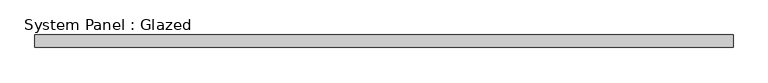
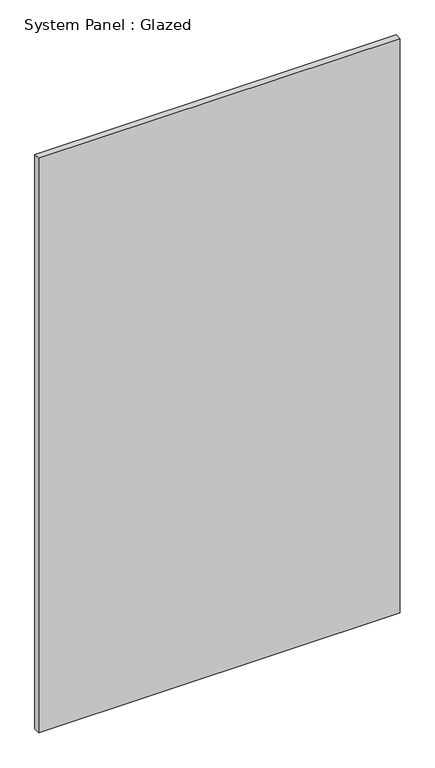
"""IFC4 building model written with IfcOpenShell, lengths in millimetres: plate geometry, System Panel : Glazed."""

import ifcopenshell
import ifcopenshell.guid

model = None  # the IFC model being written
_history = None  # IfcOwnerHistory: only IFC2X3 demands one
_inside = {}  # id of a spatial element -> (the spatial element, [elements in it])
_under = {}  # id of a project, library or spatial element -> (it, [spatial elements below it])
_declared = {}  # id of a project -> (the project, [libraries it declares])
_typed = {}  # id of a type object -> (the type object, [elements of that type])
_made_of = {}  # id of a material, layer set ... -> (it, [elements and type objects made of it])


def new_model(schema):
    """Start an empty IFC model of exactly this schema.

    Asked for "IFC4X3", IfcOpenShell would pick the latest addendum, in which some entities
    have other attributes; the version numbers below select the first issue.
    IFC2X3 requires an IfcOwnerHistory on every rooted entity: one is made here for all.
    """
    global model, _history
    if schema == "IFC4X3":
        model = ifcopenshell.file(schema_version=(4, 3, 0, 0))
    else:
        model = ifcopenshell.file(schema=schema)
    _inside.clear()
    _under.clear()
    _declared.clear()
    _typed.clear()
    _made_of.clear()
    _history = None
    if model.schema == "IFC2X3":
        org = make("IfcOrganization", Name="unknown")
        user = make(
            "IfcPersonAndOrganization",
            ThePerson=make("IfcPerson", FamilyName="unknown"),
            TheOrganization=org,
        )
        app = make(
            "IfcApplication",
            ApplicationDeveloper=org,
            Version="unknown",
            ApplicationFullName="unknown",
            ApplicationIdentifier="unknown",
        )
        _history = make(
            "IfcOwnerHistory",
            OwningUser=user,
            OwningApplication=app,
            ChangeAction="ADDED",
            CreationDate=0,
        )
    return model


def make(cls, **values):
    """One entity of the class cls with the attributes given. An attribute that is None is left unset."""
    return model.create_entity(
        cls, **{name: value for name, value in values.items() if value is not None}
    )


def rooted(cls, **values):
    """An entity with a GlobalId (a new one), such as an element, a storey or a relation."""
    return make(cls, GlobalId=ifcopenshell.guid.new(), OwnerHistory=_history, **values)


def si_unit(unit_type, name, prefix=None):
    """IfcSIUnit, for example si_unit("LENGTHUNIT", "METRE", prefix="MILLI")."""
    return make("IfcSIUnit", UnitType=unit_type, Prefix=prefix, Name=name)


def assignment(units):
    """IfcUnitAssignment: the units of a project."""
    return None if units is None else make("IfcUnitAssignment", Units=units)


def point(xyz):
    """IfcCartesianPoint."""
    return None if xyz is None else make("IfcCartesianPoint", Coordinates=xyz)


def direction(xyz):
    """IfcDirection."""
    return None if xyz is None else make("IfcDirection", DirectionRatios=xyz)


def frame(location, z_axis=None, x_axis=None):
    """IfcAxis2Placement3D, a coordinate frame: its origin and axes. An axis left out is left unset."""
    return make(
        "IfcAxis2Placement3D",
        Location=point(location),
        Axis=direction(z_axis),
        RefDirection=direction(x_axis),
    )


def origin():
    """The frame at (0, 0, 0) with its axes left unset."""
    return frame((0.0, 0.0, 0.0))


def origin_with_axes():
    """The frame at (0, 0, 0) with the z axis (0, 0, 1) and the x axis (1, 0, 0) written out."""
    return frame((0.0, 0.0, 0.0), z_axis=(0.0, 0.0, 1.0), x_axis=(1.0, 0.0, 0.0))


def place(relative_to, where):
    """IfcLocalPlacement: puts the frame where relative to a parent placement (None: the world)."""
    return make(
        "IfcLocalPlacement", PlacementRelTo=relative_to, RelativePlacement=where
    )


def context(
    kind, dimensions, precision=None, world=None, true_north=None, identifier=None
):
    """IfcGeometricRepresentationContext, for example the 3D "Model" context."""
    return make(
        "IfcGeometricRepresentationContext",
        ContextIdentifier=identifier,
        ContextType=kind,
        CoordinateSpaceDimension=dimensions,
        Precision=precision,
        WorldCoordinateSystem=world,
        TrueNorth=true_north,
    )


def project(units=None, contexts=None):
    """IfcProject with its units and contexts."""
    return rooted(
        "IfcProject",
        Name="project",
        RepresentationContexts=contexts,
        UnitsInContext=assignment(units),
    )


def spatial(cls, under=None, at=None, **own):
    """A site, building, storey or space (cls), placed at a placement, below another one or the project."""
    s = rooted(cls, ObjectPlacement=at, **own)
    if under is not None:
        _under.setdefault(under.id(), (under, []))[1].append(s)
    return s


def polyline(points):
    """IfcPolyline through the points."""
    return make("IfcPolyline", Points=[point(p) for p in points])


def outline(outer, holes=None, kind="AREA"):
    """IfcArbitraryClosedProfileDef: a profile drawn as a closed curve; with holes, ...WithVoids."""
    if holes is None:
        return make("IfcArbitraryClosedProfileDef", ProfileType=kind, OuterCurve=outer)
    return make(
        "IfcArbitraryProfileDefWithVoids",
        ProfileType=kind,
        OuterCurve=outer,
        InnerCurves=holes,
    )


def extrude(swept, where, along, depth):
    """IfcExtrudedAreaSolid: the profile swept, set in the frame where, extruded along a direction by depth."""
    return make(
        "IfcExtrudedAreaSolid",
        SweptArea=swept,
        Position=where,
        ExtrudedDirection=direction(along),
        Depth=depth,
    )


def shape(context_of_items, identifier, shape_type, items):
    """IfcShapeRepresentation: the items that make up one representation, for example the "Body"."""
    return make(
        "IfcShapeRepresentation",
        ContextOfItems=context_of_items,
        RepresentationIdentifier=identifier,
        RepresentationType=shape_type,
        Items=items,
    )


def source(mapping_origin, context_of_items, identifier, shape_type, items):
    """IfcRepresentationMap: a shape defined once, which mapped items show again and again."""
    return make(
        "IfcRepresentationMap",
        MappingOrigin=mapping_origin,
        MappedRepresentation=shape(context_of_items, identifier, shape_type, items),
    )


def transform(
    local_origin,
    x_axis=None,
    y_axis=None,
    z_axis=None,
    scale=None,
    scale2=None,
    scale3=None,
    uniform=True,
):
    """IfcCartesianTransformationOperator3D, or its non-uniform kind. x_axis, y_axis, z_axis: its Axis1, 2, 3."""
    if uniform:
        return make(
            "IfcCartesianTransformationOperator3D",
            Axis1=direction(x_axis),
            Axis2=direction(y_axis),
            LocalOrigin=point(local_origin),
            Scale=scale,
            Axis3=direction(z_axis),
        )
    return make(
        "IfcCartesianTransformationOperator3DnonUniform",
        Axis1=direction(x_axis),
        Axis2=direction(y_axis),
        LocalOrigin=point(local_origin),
        Scale=scale,
        Axis3=direction(z_axis),
        Scale2=scale2,
        Scale3=scale3,
    )


def mapped(mapping_source, mapping_target):
    """IfcMappedItem: shows the shape of a source again, moved by a transform."""
    return make(
        "IfcMappedItem", MappingSource=mapping_source, MappingTarget=mapping_target
    )


def made_of(thing, what):
    """Note that an element or type object is made of a material, layer set ...; save() writes the relation."""
    if what is not None:
        _made_of.setdefault(what.id(), (what, []))[1].append(thing)
    return thing


def element(
    cls,
    number,
    at=None,
    inside=None,
    cuts=None,
    type_object=None,
    material=None,
    context=None,
    identifier="Body",
    shape_type=None,
    held_by="IfcProductDefinitionShape",
    body=None,
    shapes=None,
    **own,
):
    """One element of the class cls, such as IfcWall. Its Tag is "e" and its number.

    at: its placement. inside: the storey or other place that contains it. cuts: it is an
    opening in that element (IfcRelVoidsElement). A single representation is given by context,
    identifier, shape_type and body (its items); several are given by shapes. held_by: the class
    of the entity that holds the representations. save() writes the other relations.
    """
    e = rooted(cls, Tag="e%d" % number, ObjectPlacement=at, **own)
    if body is not None:
        shapes = [shape(context, identifier, shape_type, body)]
    if shapes is not None:
        e.Representation = make(held_by, Representations=shapes)
    if inside is not None:
        _inside.setdefault(inside.id(), (inside, []))[1].append(e)
    if cuts is not None:
        rooted(
            "IfcRelVoidsElement", RelatingBuildingElement=cuts, RelatedOpeningElement=e
        )
    if type_object is not None:
        _typed.setdefault(type_object.id(), (type_object, []))[1].append(e)
    return made_of(e, material)


def aggregate(whole, parts):
    """IfcRelAggregates: a whole, such as a stair, and the parts it consists of."""
    return rooted("IfcRelAggregates", RelatingObject=whole, RelatedObjects=parts)


def save(model, path):
    """Write the relations noted so far, then the file.

    IfcRelAggregates (storeys below a building ...), IfcRelContainedInSpatialStructure (elements
    in a storey), IfcRelDefinesByType, IfcRelAssociatesMaterial and IfcRelDeclares: one each for
    every whole, place, type object, material and project.
    """
    for whole, parts in _under.values():
        aggregate(whole, parts)
    for where, things in _inside.values():
        rooted(
            "IfcRelContainedInSpatialStructure",
            RelatedElements=things,
            RelatingStructure=where,
        )
    for kind, things in _typed.values():
        rooted("IfcRelDefinesByType", RelatedObjects=things, RelatingType=kind)
    for what, things in _made_of.values():
        rooted("IfcRelAssociatesMaterial", RelatedObjects=things, RelatingMaterial=what)
    for by, libraries in _declared.values():
        rooted("IfcRelDeclares", RelatingContext=by, RelatedDefinitions=libraries)
    model.write(path)


def system_panel_glazed_f75838c2(model_context):
    return source(origin(), model_context, "Body", "SweptSolid", [
        extrude(outline(polyline([(699.256285, -49.5), (-699.256285, -49.5), (-699.256285, -24.5), (699.256285, -24.5), (699.256285, -49.5)])), origin_with_axes(), (0.0, 0.0, 1.0), 2350.0),
    ])


if __name__ == "__main__":
    model = new_model("IFC4")
    model_context = context("Model", 3, world=origin())
    ifc_project = project(units=[si_unit("LENGTHUNIT", "METRE", prefix="MILLI")], contexts=[model_context])
    site = spatial("IfcSite", under=ifc_project)
    building = spatial("IfcBuilding", under=site)
    placement = place(None, origin())
    system_panel_glazed_shape = system_panel_glazed_f75838c2(model_context)
    element("IfcPlate", 1, ObjectType="System Panel : Glazed", at=placement, inside=building, context=model_context, shape_type="MappedRepresentation", body=[
        mapped(system_panel_glazed_shape, transform((0.0, 0.0, 0.0), x_axis=(1.0, 0.0, 0.0), y_axis=(0.0, 1.0, 0.0), z_axis=(0.0, 0.0, 1.0))),
    ])
    save(model, "model.ifc")
